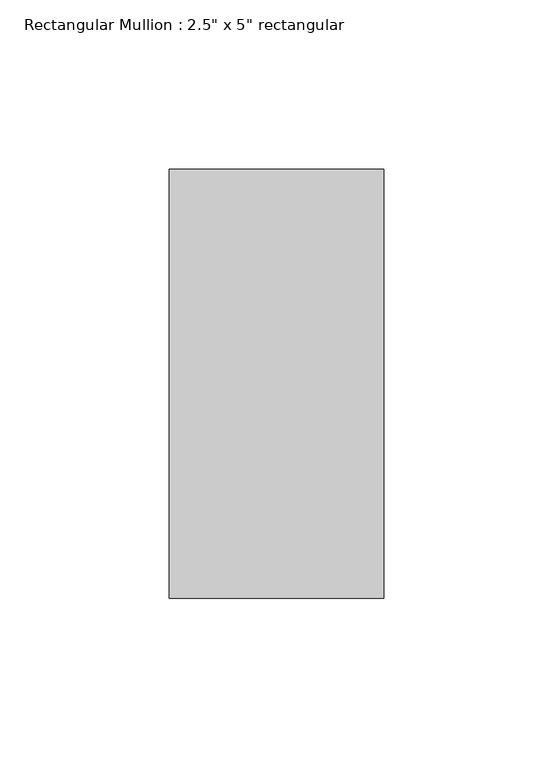
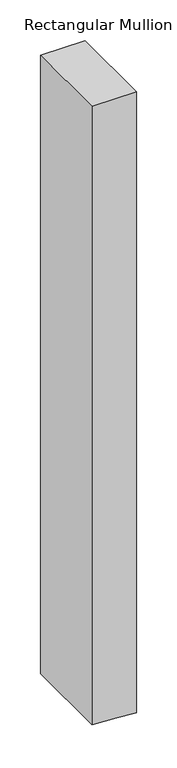
"""IFC4 building model written with IfcOpenShell, lengths in millimetres: member geometry."""

from ifc_helpers import new_model, si_unit, frame, origin, place, context, project, spatial, polyline, outline, extrude, source, transform, mapped, element, save


def member_37028a7a(model_context):
    return source(origin(), model_context, "Body", "SweptSolid", [
        extrude(outline(polyline([(0.0, 31.75), (0.0, -31.75), (-930.8991897, -31.75), (-933.2776113, 4.1942316), (-935.1016777, 31.75), (0.0, 31.75)])), frame((0.0, -63.5, 0.0), z_axis=(0.0, 1.0, 0.0), x_axis=(0.0, 0.0, 1.0)), (0.0, 0.0, 1.0), 127.0),
    ])


if __name__ == "__main__":
    model = new_model("IFC4")
    model_context = context("Model", 3, world=origin())
    ifc_project = project(units=[si_unit("LENGTHUNIT", "METRE", prefix="MILLI")], contexts=[model_context])
    site = spatial("IfcSite", under=ifc_project)
    building = spatial("IfcBuilding", under=site)
    placement = place(None, origin())
    member_shape = member_37028a7a(model_context)
    element("IfcMember", 1, ObjectType="Rectangular Mullion : 2.5\" x 5\" rectangular", at=placement, inside=building, context=model_context, shape_type="MappedRepresentation", body=[
        mapped(member_shape, transform((0.0, 0.0, 0.0), x_axis=(1.0, 0.0, 0.0), y_axis=(0.0, 1.0, 0.0), z_axis=(0.0, 0.0, 1.0))),
    ])
    save(model, "model.ifc")
